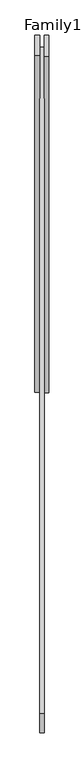
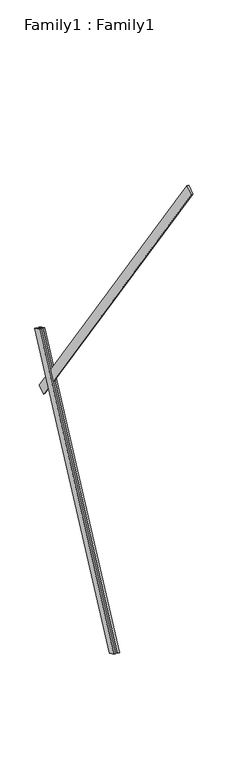
"""IFC4 building model written with IfcOpenShell, lengths in millimetres: proxy geometry, Family1 : Family1."""

from ifc_helpers import new_model, si_unit, frame, origin, place, context, project, spatial, polyline, outline, extrude, source, transform, mapped, element, save


def family1_family1_3e2bec8c(model_context):
    return source(origin(), model_context, "Body", "SweptSolid", [
        extrude(outline(polyline([(0.0, 0.0), (0.0, -20.0), (-100.0000001, -20.0), (-100.0000001, 0.0), (0.0, 0.0)])), frame((-30.0, 46.3241747, -22.5938096), z_axis=(0.0, 0.4383711467890692, 0.8987940462991711), x_axis=(0.0, 0.8987940462991711, -0.4383711467890692)), (0.0, 0.0, 1.0), 3300.0),
        extrude(outline(polyline([(0.0, 0.0), (0.0, -20.0), (-99.9999999, -20.0), (-99.9999999, 0.0), (0.0, 0.0)])), frame((10.0, 45.270232, -22.0797674), z_axis=(0.0, 0.4383711467890692, 0.8987940462991711), x_axis=(0.0, 0.8987940462991711, -0.4383711467890692)), (0.0, 0.0, 1.0), 3300.0),
        extrude(outline(polyline([(0.0, 0.0), (0.0, -100.0), (-20.0, -100.0), (-20.0, 0.0), (0.0, 0.0)])), frame((10.0, 1441.4663594, 2298.133224), z_axis=(0.0, -0.5735764363510449, 0.8191520442889927), x_axis=(1.0, 0.0, 0.0)), (0.0, 0.0, 1.0), 5000.0),
    ])


if __name__ == "__main__":
    model = new_model("IFC4")
    model_context = context("Model", 3, world=origin())
    ifc_project = project(units=[si_unit("LENGTHUNIT", "METRE", prefix="MILLI")], contexts=[model_context])
    site = spatial("IfcSite", under=ifc_project)
    building = spatial("IfcBuilding", under=site)
    placement = place(None, origin())
    family1_family1_shape = family1_family1_3e2bec8c(model_context)
    element("IfcBuildingElementProxy", 1, Name="Family1 : Family1", ObjectType="Family1 : Family1", at=placement, inside=building, context=model_context, shape_type="MappedRepresentation", body=[
        mapped(family1_family1_shape, transform((0.0, 0.0, 0.0), x_axis=(1.0, 0.0, 0.0), y_axis=(0.0, 1.0, 0.0), z_axis=(0.0, 0.0, 1.0))),
    ])
    save(model, "model.ifc")
